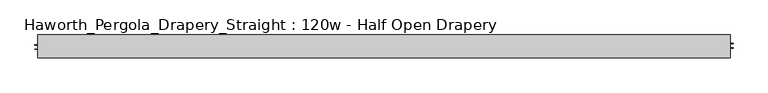
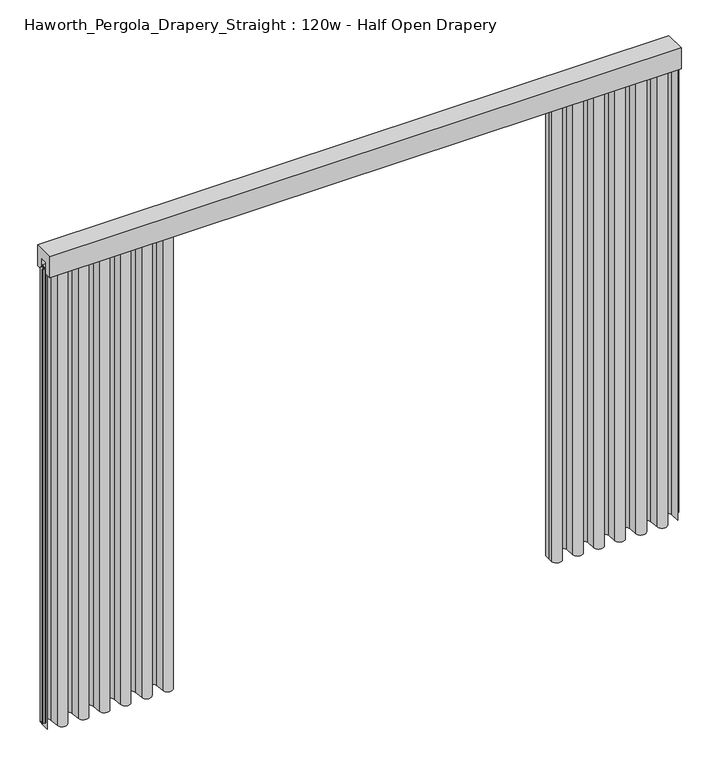
"""IFC4 building model written with IfcOpenShell, lengths in millimetres: furniture geometry, Haworth_Pergola_Drapery_Straight : 120w - Half Open Drapery."""

from ifc_helpers import new_model, si_unit, point, frame, frame_2d, origin, place, context, project, spatial, polyline, circle_curve, trimmed, segment, composite_curve, outline, extrude, source, transform, mapped, element, save


def haworth_pergola_drapery_straight_120w_half_open_drapery_67695880(model_context):
    return source(origin(), model_context, "Body", "SweptSolid", [
        extrude(outline(polyline([(50.8, 2438.4), (50.8, 2331.8390625), (15.2182948, 2331.8390625), (15.2182948, 2388.7001663), (-15.2182948, 2388.7001663), (-15.2182948, 2331.8390625), (-50.8, 2331.8390625), (-50.8, 2438.4), (50.8, 2438.4)])), frame((-1790.7, 0.0, 0.0), z_axis=(1.0, 0.0, 0.0), x_axis=(0.0, 1.0, 0.0)), (0.0, 0.0, 1.0), 3048.0),
        extrude(outline(composite_curve([segment(polyline([(1255.3, 20.9840165), (1255.3, -25.4000008), (1254.50625, -25.4000008), (1254.50625, 20.9840165)]), True, "CONTINUOUS"), segment(trimmed(circle_curve(frame_2d((1231.8970217, 20.9840165)), 22.6092283), [point((1254.50625, 20.9840165))], [point((1209.379759, 23.0211916))], True, "CARTESIAN"), True, "CONTINUOUS"), segment(polyline([(1209.379759, 23.0211916), (1205.1801015, -23.3983779)]), True, "CONTINUOUS"), segment(trimmed(circle_curve(frame_2d((1181.1, -21.2198101)), 24.17845), [point((1205.1801015, -23.3983779))], [point((1157.0198983, -23.3983756))], False, "CARTESIAN"), True, "CONTINUOUS"), segment(polyline([(1157.0198983, -23.3983756), (1152.8298605, 22.9149155)]), True, "CONTINUOUS"), segment(trimmed(circle_curve(frame_2d((1130.3000023, 20.876603)), 22.621875), [point((1152.8298605, 22.9149155))], [point((1107.7701443, 22.9149177))], True, "CARTESIAN"), True, "CONTINUOUS"), segment(polyline([(1107.7701443, 22.9149177), (1103.6109007, -23.0579488)]), True, "CONTINUOUS"), segment(trimmed(circle_curve(frame_2d((1079.5, -20.8765946)), 24.209375), [point((1103.6109007, -23.0579488))], [point((1055.3890991, -23.0579465))], False, "CARTESIAN"), True, "CONTINUOUS"), segment(polyline([(1055.3890991, -23.0579465), (1051.2298605, 22.9149157)]), True, "CONTINUOUS"), segment(trimmed(circle_curve(frame_2d((1028.7000023, 20.8766032)), 22.621875), [point((1051.2298605, 22.9149157))], [point((1006.1701443, 22.9149178))], True, "CARTESIAN"), True, "CONTINUOUS"), segment(polyline([(1006.1701443, 22.9149178), (1002.0109007, -23.0579492)]), True, "CONTINUOUS"), segment(trimmed(circle_curve(frame_2d((977.9, -20.876595)), 24.209375), [point((1002.0109007, -23.0579492))], [point((953.7890991, -23.0579469))], False, "CARTESIAN"), True, "CONTINUOUS"), segment(polyline([(953.7890991, -23.0579469), (949.6298605, 22.9149155)]), True, "CONTINUOUS"), segment(trimmed(circle_curve(frame_2d((927.1000023, 20.876603)), 22.621875), [point((949.6298605, 22.9149155))], [point((904.5701443, 22.9149177))], True, "CARTESIAN"), True, "CONTINUOUS"), segment(polyline([(904.5701443, 22.9149177), (900.3801015, -23.3983779)]), True, "CONTINUOUS"), segment(trimmed(circle_curve(frame_2d((876.3, -21.2198101)), 24.17845), [point((900.3801015, -23.3983779))], [point((852.2198983, -23.3983756))], False, "CARTESIAN"), True, "CONTINUOUS"), segment(polyline([(852.2198983, -23.3983756), (848.0298605, 22.9149155)]), True, "CONTINUOUS"), segment(trimmed(circle_curve(frame_2d((825.5000023, 20.876603)), 22.621875), [point((848.0298605, 22.9149155))], [point((802.9701443, 22.9149177))], True, "CARTESIAN"), True, "CONTINUOUS"), segment(polyline([(802.9701443, 22.9149177), (798.7801015, -23.3983779)]), True, "CONTINUOUS"), segment(trimmed(circle_curve(frame_2d((774.7, -21.2198101)), 24.17845), [point((798.7801015, -23.3983779))], [point((750.6198983, -23.3983756))], False, "CARTESIAN"), True, "CONTINUOUS"), segment(polyline([(750.6198983, -23.3983756), (746.4298605, 22.9149155)]), True, "CONTINUOUS"), segment(trimmed(circle_curve(frame_2d((723.9000023, 20.876603)), 22.621875), [point((746.4298605, 22.9149155))], [point((701.3701443, 22.9149177))], True, "CARTESIAN"), True, "CONTINUOUS"), segment(polyline([(701.3701443, 22.9149177), (697.1801015, -23.3983779)]), True, "CONTINUOUS"), segment(trimmed(circle_curve(frame_2d((673.1, -21.2198101)), 24.17845), [point((697.1801015, -23.3983779))], [point((649.0198983, -23.3983756))], False, "CARTESIAN"), True, "CONTINUOUS"), segment(polyline([(649.0198983, -23.3983756), (647.3371094, -4.7981874), (647.3371094, 25.4000007), (648.1308594, 25.4000007), (648.1308594, -4.7623547), (649.8104196, -23.3268558)]), True, "CONTINUOUS"), segment(trimmed(circle_curve(frame_2d((673.1, -21.2198101)), 23.3847), [point((649.8104196, -23.3268558))], [point((696.3895802, -23.3268581))], True, "CARTESIAN"), True, "CONTINUOUS"), segment(polyline([(696.3895802, -23.3268581), (700.5796229, 22.9864375)]), True, "CONTINUOUS"), segment(trimmed(circle_curve(frame_2d((723.9000023, 20.876603)), 23.415625), [point((700.5796229, 22.9864375))], [point((747.2203818, 22.9864352))], False, "CARTESIAN"), True, "CONTINUOUS"), segment(polyline([(747.2203818, 22.9864352), (751.4104196, -23.3268558)]), True, "CONTINUOUS"), segment(trimmed(circle_curve(frame_2d((774.7, -21.2198101)), 23.3847), [point((751.4104196, -23.3268558))], [point((797.9895802, -23.3268581))], True, "CARTESIAN"), True, "CONTINUOUS"), segment(polyline([(797.9895802, -23.3268581), (802.1796229, 22.9864375)]), True, "CONTINUOUS"), segment(trimmed(circle_curve(frame_2d((825.5000023, 20.876603)), 23.415625), [point((802.1796229, 22.9864375))], [point((848.8203818, 22.9864352))], False, "CARTESIAN"), True, "CONTINUOUS"), segment(polyline([(848.8203818, 22.9864352), (853.0104196, -23.3268558)]), True, "CONTINUOUS"), segment(trimmed(circle_curve(frame_2d((876.3, -21.2198101)), 23.3847), [point((853.0104196, -23.3268558))], [point((899.5895802, -23.3268581))], True, "CARTESIAN"), True, "CONTINUOUS"), segment(polyline([(899.5895802, -23.3268581), (903.7796229, 22.9864375)]), True, "CONTINUOUS"), segment(trimmed(circle_curve(frame_2d((927.1000023, 20.876603)), 23.415625), [point((903.7796229, 22.9864375))], [point((950.4203818, 22.9864352))], False, "CARTESIAN"), True, "CONTINUOUS"), segment(polyline([(950.4203818, 22.9864352), (954.5796205, -22.9864271)]), True, "CONTINUOUS"), segment(trimmed(circle_curve(frame_2d((977.9, -20.876595)), 23.415625), [point((954.5796205, -22.9864271))], [point((1001.2203794, -22.9864294))], True, "CARTESIAN"), True, "CONTINUOUS"), segment(polyline([(1001.2203794, -22.9864294), (1005.3796229, 22.9864377)]), True, "CONTINUOUS"), segment(trimmed(circle_curve(frame_2d((1028.7000023, 20.8766032)), 23.415625), [point((1005.3796229, 22.9864377))], [point((1052.0203818, 22.9864354))], False, "CARTESIAN"), True, "CONTINUOUS"), segment(polyline([(1052.0203818, 22.9864354), (1056.1796205, -22.9864268)]), True, "CONTINUOUS"), segment(trimmed(circle_curve(frame_2d((1079.5, -20.8765946)), 23.415625), [point((1056.1796205, -22.9864268))], [point((1102.8203794, -22.986429))], True, "CARTESIAN"), True, "CONTINUOUS"), segment(polyline([(1102.8203794, -22.986429), (1106.9796229, 22.9864375)]), True, "CONTINUOUS"), segment(trimmed(circle_curve(frame_2d((1130.3000023, 20.876603)), 23.415625), [point((1106.9796229, 22.9864375))], [point((1153.6203818, 22.9864352))], False, "CARTESIAN"), True, "CONTINUOUS"), segment(polyline([(1153.6203818, 22.9864352), (1157.8104196, -23.3268558)]), True, "CONTINUOUS"), segment(trimmed(circle_curve(frame_2d((1181.1, -21.2198101)), 23.3847), [point((1157.8104196, -23.3268558))], [point((1204.3895802, -23.3268581))], True, "CARTESIAN"), True, "CONTINUOUS"), segment(polyline([(1204.3895802, -23.3268581), (1208.5892377, 23.0927114)]), True, "CONTINUOUS"), segment(trimmed(circle_curve(frame_2d((1231.8970217, 20.9840165)), 23.4029783), [point((1208.5892377, 23.0927114))], [point((1255.3, 20.9840165))], False, "CARTESIAN"), True, "CONTINUOUS")], self_intersect=False)), frame((0.0, 0.0, 12.7), z_axis=(0.0, 0.0, 1.0), x_axis=(1.0, 0.0, 0.0)), (0.0, 0.0, 1.0), 2343.15),
        extrude(outline(composite_curve([segment(trimmed(circle_curve(frame_2d((-1765.2970217, 20.9840165)), 23.4029783), [point((-1788.7, 20.9840165))], [point((-1741.9892377, 23.0927114))], False, "CARTESIAN"), True, "CONTINUOUS"), segment(polyline([(-1741.9892377, 23.0927114), (-1737.7895802, -23.3268581)]), True, "CONTINUOUS"), segment(trimmed(circle_curve(frame_2d((-1714.5, -21.2198101)), 23.3847), [point((-1737.7895802, -23.3268581))], [point((-1691.2104196, -23.3268558))], True, "CARTESIAN"), True, "CONTINUOUS"), segment(polyline([(-1691.2104196, -23.3268558), (-1687.0203818, 22.9864352)]), True, "CONTINUOUS"), segment(trimmed(circle_curve(frame_2d((-1663.7000023, 20.876603)), 23.415625), [point((-1687.0203818, 22.9864352))], [point((-1640.3796229, 22.9864375))], False, "CARTESIAN"), True, "CONTINUOUS"), segment(polyline([(-1640.3796229, 22.9864375), (-1636.2203794, -22.986429)]), True, "CONTINUOUS"), segment(trimmed(circle_curve(frame_2d((-1612.9, -20.8765946)), 23.415625), [point((-1636.2203794, -22.986429))], [point((-1589.5796205, -22.9864268))], True, "CARTESIAN"), True, "CONTINUOUS"), segment(polyline([(-1589.5796205, -22.9864268), (-1585.4203818, 22.9864354)]), True, "CONTINUOUS"), segment(trimmed(circle_curve(frame_2d((-1562.1000023, 20.8766032)), 23.415625), [point((-1585.4203818, 22.9864354))], [point((-1538.7796229, 22.9864377))], False, "CARTESIAN"), True, "CONTINUOUS"), segment(polyline([(-1538.7796229, 22.9864377), (-1534.6203794, -22.9864294)]), True, "CONTINUOUS"), segment(trimmed(circle_curve(frame_2d((-1511.3, -20.876595)), 23.415625), [point((-1534.6203794, -22.9864294))], [point((-1487.9796205, -22.9864271))], True, "CARTESIAN"), True, "CONTINUOUS"), segment(polyline([(-1487.9796205, -22.9864271), (-1483.8203818, 22.9864352)]), True, "CONTINUOUS"), segment(trimmed(circle_curve(frame_2d((-1460.5000023, 20.876603)), 23.415625), [point((-1483.8203818, 22.9864352))], [point((-1437.1796229, 22.9864375))], False, "CARTESIAN"), True, "CONTINUOUS"), segment(polyline([(-1437.1796229, 22.9864375), (-1432.9895802, -23.3268581)]), True, "CONTINUOUS"), segment(trimmed(circle_curve(frame_2d((-1409.7, -21.2198101)), 23.3847), [point((-1432.9895802, -23.3268581))], [point((-1386.4104196, -23.3268558))], True, "CARTESIAN"), True, "CONTINUOUS"), segment(polyline([(-1386.4104196, -23.3268558), (-1382.2203818, 22.9864352)]), True, "CONTINUOUS"), segment(trimmed(circle_curve(frame_2d((-1358.9000023, 20.876603)), 23.415625), [point((-1382.2203818, 22.9864352))], [point((-1335.5796229, 22.9864375))], False, "CARTESIAN"), True, "CONTINUOUS"), segment(polyline([(-1335.5796229, 22.9864375), (-1331.3895802, -23.3268581)]), True, "CONTINUOUS"), segment(trimmed(circle_curve(frame_2d((-1308.1, -21.2198101)), 23.3847), [point((-1331.3895802, -23.3268581))], [point((-1284.8104196, -23.3268558))], True, "CARTESIAN"), True, "CONTINUOUS"), segment(polyline([(-1284.8104196, -23.3268558), (-1280.6203818, 22.9864352)]), True, "CONTINUOUS"), segment(trimmed(circle_curve(frame_2d((-1257.3000023, 20.876603)), 23.415625), [point((-1280.6203818, 22.9864352))], [point((-1233.9796229, 22.9864375))], False, "CARTESIAN"), True, "CONTINUOUS"), segment(polyline([(-1233.9796229, 22.9864375), (-1229.7895802, -23.3268581)]), True, "CONTINUOUS"), segment(trimmed(circle_curve(frame_2d((-1206.5, -21.2198101)), 23.3847), [point((-1229.7895802, -23.3268581))], [point((-1183.2104196, -23.3268558))], True, "CARTESIAN"), True, "CONTINUOUS"), segment(polyline([(-1183.2104196, -23.3268558), (-1181.5308594, -4.7623547), (-1181.5308594, 25.4000007), (-1180.7371094, 25.4000007), (-1180.7371094, -4.7981874), (-1182.4198983, -23.3983756)]), True, "CONTINUOUS"), segment(trimmed(circle_curve(frame_2d((-1206.5, -21.2198101)), 24.17845), [point((-1182.4198983, -23.3983756))], [point((-1230.5801015, -23.3983779))], False, "CARTESIAN"), True, "CONTINUOUS"), segment(polyline([(-1230.5801015, -23.3983779), (-1234.7701443, 22.9149177)]), True, "CONTINUOUS"), segment(trimmed(circle_curve(frame_2d((-1257.3000023, 20.876603)), 22.621875), [point((-1234.7701443, 22.9149177))], [point((-1279.8298605, 22.9149155))], True, "CARTESIAN"), True, "CONTINUOUS"), segment(polyline([(-1279.8298605, 22.9149155), (-1284.0198983, -23.3983756)]), True, "CONTINUOUS"), segment(trimmed(circle_curve(frame_2d((-1308.1, -21.2198101)), 24.17845), [point((-1284.0198983, -23.3983756))], [point((-1332.1801015, -23.3983779))], False, "CARTESIAN"), True, "CONTINUOUS"), segment(polyline([(-1332.1801015, -23.3983779), (-1336.3701443, 22.9149177)]), True, "CONTINUOUS"), segment(trimmed(circle_curve(frame_2d((-1358.9000023, 20.876603)), 22.621875), [point((-1336.3701443, 22.9149177))], [point((-1381.4298605, 22.9149155))], True, "CARTESIAN"), True, "CONTINUOUS"), segment(polyline([(-1381.4298605, 22.9149155), (-1385.6198983, -23.3983756)]), True, "CONTINUOUS"), segment(trimmed(circle_curve(frame_2d((-1409.7, -21.2198101)), 24.17845), [point((-1385.6198983, -23.3983756))], [point((-1433.7801015, -23.3983779))], False, "CARTESIAN"), True, "CONTINUOUS"), segment(polyline([(-1433.7801015, -23.3983779), (-1437.9701443, 22.9149177)]), True, "CONTINUOUS"), segment(trimmed(circle_curve(frame_2d((-1460.5000023, 20.876603)), 22.621875), [point((-1437.9701443, 22.9149177))], [point((-1483.0298605, 22.9149155))], True, "CARTESIAN"), True, "CONTINUOUS"), segment(polyline([(-1483.0298605, 22.9149155), (-1487.1890991, -23.0579469)]), True, "CONTINUOUS"), segment(trimmed(circle_curve(frame_2d((-1511.3, -20.876595)), 24.209375), [point((-1487.1890991, -23.0579469))], [point((-1535.4109007, -23.0579492))], False, "CARTESIAN"), True, "CONTINUOUS"), segment(polyline([(-1535.4109007, -23.0579492), (-1539.5701443, 22.9149178)]), True, "CONTINUOUS"), segment(trimmed(circle_curve(frame_2d((-1562.1000023, 20.8766032)), 22.621875), [point((-1539.5701443, 22.9149178))], [point((-1584.6298605, 22.9149157))], True, "CARTESIAN"), True, "CONTINUOUS"), segment(polyline([(-1584.6298605, 22.9149157), (-1588.7890991, -23.0579465)]), True, "CONTINUOUS"), segment(trimmed(circle_curve(frame_2d((-1612.9, -20.8765946)), 24.209375), [point((-1588.7890991, -23.0579465))], [point((-1637.0109007, -23.0579488))], False, "CARTESIAN"), True, "CONTINUOUS"), segment(polyline([(-1637.0109007, -23.0579488), (-1641.1701443, 22.9149177)]), True, "CONTINUOUS"), segment(trimmed(circle_curve(frame_2d((-1663.7000023, 20.876603)), 22.621875), [point((-1641.1701443, 22.9149177))], [point((-1686.2298605, 22.9149155))], True, "CARTESIAN"), True, "CONTINUOUS"), segment(polyline([(-1686.2298605, 22.9149155), (-1690.4198983, -23.3983756)]), True, "CONTINUOUS"), segment(trimmed(circle_curve(frame_2d((-1714.5, -21.2198101)), 24.17845), [point((-1690.4198983, -23.3983756))], [point((-1738.5801015, -23.3983779))], False, "CARTESIAN"), True, "CONTINUOUS"), segment(polyline([(-1738.5801015, -23.3983779), (-1742.779759, 23.0211916)]), True, "CONTINUOUS"), segment(trimmed(circle_curve(frame_2d((-1765.2970217, 20.9840165)), 22.6092283), [point((-1742.779759, 23.0211916))], [point((-1787.90625, 20.9840165))], True, "CARTESIAN"), True, "CONTINUOUS"), segment(polyline([(-1787.90625, 20.9840165), (-1787.90625, -25.4000008), (-1788.7, -25.4000008), (-1788.7, 20.9840165)]), True, "CONTINUOUS")], self_intersect=False)), frame((0.0, 0.0, 12.7), z_axis=(0.0, 0.0, 1.0), x_axis=(1.0, 0.0, 0.0)), (0.0, 0.0, 1.0), 2343.15),
        extrude(outline(polyline([(-1790.7, 15.2249995), (1257.3, 15.2249995), (1257.3, -15.2249996), (-1790.7, -15.2249996), (-1790.7, 15.2249995)])), frame((0.0, 0.0, 2355.85), z_axis=(0.0, 0.0, 1.0), x_axis=(1.0, 0.0, 0.0)), (0.0, 0.0, 1.0), 1.7500385),
        extrude(outline(polyline([(1257.3, 15.2249996), (1259.0500001, 15.2249996), (1259.0500001, 13.3999997), (1270.5499997, 13.3999997), (1270.5499997, 11.8250005), (1259.0500001, 11.8250005), (1259.0500001, -4.8250001), (1270.6999997, -4.8250001), (1270.6999997, -7.8249998), (1259.0500001, -7.8249998), (1259.0500001, -15.2249995), (1257.3, -15.2249995), (1257.3, 15.2249996)])), frame((0.0, 0.0, 38.1), z_axis=(0.0, 0.0, 1.0), x_axis=(1.0, 0.0, 0.0)), (0.0, 0.0, 1.0), 2317.75),
        extrude(outline(polyline([(-1790.7, -15.2249996), (-1792.4500001, -15.2249996), (-1792.4500001, -13.3999997), (-1803.9499997, -13.3999997), (-1803.9499997, -11.8250005), (-1792.4500001, -11.8250005), (-1792.4500001, 4.8250001), (-1804.0999997, 4.8250001), (-1804.0999997, 7.8249998), (-1792.4500001, 7.8249998), (-1792.4500001, 15.2249995), (-1790.7, 15.2249995), (-1790.7, -15.2249996)])), frame((0.0, 0.0, 38.1), z_axis=(0.0, 0.0, 1.0), x_axis=(1.0, 0.0, 0.0)), (0.0, 0.0, 1.0), 2317.75),
        extrude(outline(composite_curve([segment(trimmed(circle_curve(frame_2d((-266.7, 0.0)), 6.0), [point((-272.7, 0.0))], [point((-260.7, 0.0))], False, "CARTESIAN"), True, "CONTINUOUS"), segment(trimmed(circle_curve(frame_2d((-266.7, 0.0)), 6.0), [point((-260.7, 0.0))], [point((-272.7, 0.0))], False, "CARTESIAN"), True, "CONTINUOUS")], self_intersect=False)), frame((0.0, 0.0, 2319.1390625), z_axis=(0.0, 0.0, 1.0), x_axis=(1.0, 0.0, 0.0)), (0.0, 0.0, 1.0), 36.7109375),
    ])


if __name__ == "__main__":
    model = new_model("IFC4")
    model_context = context("Model", 3, world=origin())
    ifc_project = project(units=[si_unit("LENGTHUNIT", "METRE", prefix="MILLI")], contexts=[model_context])
    site = spatial("IfcSite", under=ifc_project)
    building = spatial("IfcBuilding", under=site)
    placement = place(None, origin())
    haworth_pergola_drapery_straight_120w_half_open_drapery_shape = haworth_pergola_drapery_straight_120w_half_open_drapery_67695880(model_context)
    element("IfcFurniture", 1, ObjectType="Haworth_Pergola_Drapery_Straight : 120w - Half Open Drapery", at=placement, inside=building, context=model_context, shape_type="MappedRepresentation", body=[
        mapped(haworth_pergola_drapery_straight_120w_half_open_drapery_shape, transform((0.0, 0.0, 0.0), x_axis=(1.0, 0.0, 0.0), y_axis=(0.0, 1.0, 0.0), z_axis=(0.0, 0.0, 1.0))),
    ])
    save(model, "model.ifc")
